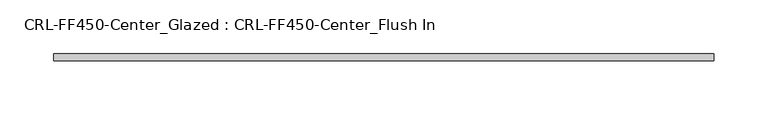
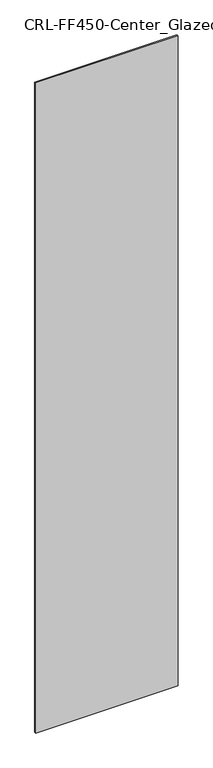
"""IFC4 building model written with IfcOpenShell, lengths in millimetres: plate geometry, CRL-FF450-Center_Glazed : CRL-FF450-Center_Flush In."""

from ifc_helpers import new_model, si_unit, origin, origin_with_axes, place, context, project, spatial, polyline, outline, extrude, source, transform, mapped, element, save


def crl_ff450_center_glazed_crl_ff450_center_flush_in_e137433a(model_context):
    return source(origin(), model_context, "Body", "SweptSolid", [
        extrude(outline(polyline([(307.1812299, 3.1749999), (307.1812299, -3.1749999), (-307.1812299, -3.1749999), (-307.1812299, 3.1749999), (307.1812299, 3.1749999)])), origin_with_axes(), (0.0, 0.0, 1.0), 2964.3420887),
    ])


if __name__ == "__main__":
    model = new_model("IFC4")
    model_context = context("Model", 3, world=origin())
    ifc_project = project(units=[si_unit("LENGTHUNIT", "METRE", prefix="MILLI")], contexts=[model_context])
    site = spatial("IfcSite", under=ifc_project)
    building = spatial("IfcBuilding", under=site)
    placement = place(None, origin())
    crl_ff450_center_glazed_crl_ff450_center_flush_in_shape = crl_ff450_center_glazed_crl_ff450_center_flush_in_e137433a(model_context)
    element("IfcPlate", 1, ObjectType="CRL-FF450-Center_Glazed : CRL-FF450-Center_Flush In", at=placement, inside=building, context=model_context, shape_type="MappedRepresentation", body=[
        mapped(crl_ff450_center_glazed_crl_ff450_center_flush_in_shape, transform((0.0, 0.0, 0.0), x_axis=(1.0, 0.0, 0.0), y_axis=(0.0, 1.0, 0.0), z_axis=(0.0, 0.0, 1.0))),
    ])
    save(model, "model.ifc")
